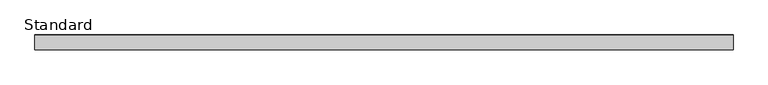
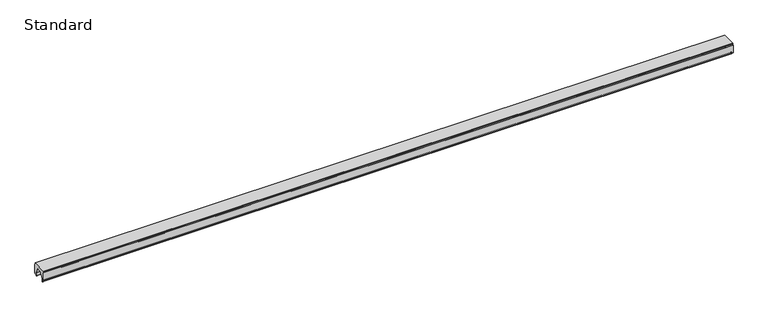
"""IFC4 building model written with IfcOpenShell, lengths in millimetres: plate geometry, Standard."""

from ifc_helpers import new_model, si_unit, point, frame, frame_2d, origin, place, context, project, spatial, polyline, circle_curve, trimmed, segment, composite_curve, outline, extrude, source, transform, mapped, element, save


def standard_7864a282(model_context):
    return source(origin(), model_context, "Body", "SweptSolid", [
        extrude(outline(composite_curve([segment(polyline([(9.3009734, 40.0704753), (-9.3009734, 40.0704753), (-21.6000018, 14.2603528), (-21.6000018, 0.575012)]), True, "CONTINUOUS"), segment(trimmed(circle_curve(frame_2d((-22.1750138, 0.575012)), 0.575012), [point((-21.6000018, 0.575012))], [point((-22.7500257, 0.575012))], False, "CARTESIAN"), True, "CONTINUOUS"), segment(polyline([(-22.7500257, 0.575012), (-22.7500257, 5.5256631)]), True, "CONTINUOUS"), segment(trimmed(circle_curve(frame_2d((-24.4906807, 5.4350083)), 1.7430141), [point((-22.7500257, 5.5256631))], [point((-24.4000259, 7.1756632))], True, "CARTESIAN"), True, "CONTINUOUS"), segment(polyline([(-24.4000259, 7.1756632), (-27.8239508, 7.3539841), (-32.0000186, 11.5300524), (-32.0000186, 46.1809022), (-30.8000259, 49.7180231), (-30.8000259, 53.85), (30.8000259, 53.85), (30.8000259, 49.7180231), (32.0000186, 46.1809022), (32.0000186, 11.5300524), (27.5902281, 7.1756632), (24.4000258, 7.1756632)]), True, "CONTINUOUS"), segment(trimmed(circle_curve(frame_2d((24.4000258, 5.5256631)), 1.6500001), [point((24.4000258, 7.1756632))], [point((22.7500257, 5.5256631))], True, "CARTESIAN"), True, "CONTINUOUS"), segment(polyline([(22.7500257, 5.5256631), (22.7500257, 0.575012)]), True, "CONTINUOUS"), segment(trimmed(circle_curve(frame_2d((22.1750138, 0.575012)), 0.575012), [point((22.7500257, 0.575012))], [point((21.6000018, 0.575012))], False, "CARTESIAN"), True, "CONTINUOUS"), segment(polyline([(21.6000018, 0.575012), (21.6000018, 14.2603528), (9.3009734, 40.0704753)]), True, "CONTINUOUS")], self_intersect=False)), frame((-1498.85, 0.0, 0.0), z_axis=(1.0, 0.0, 0.0), x_axis=(0.0, 1.0, 0.0)), (0.0, 0.0, 1.0), 2997.7),
    ])


if __name__ == "__main__":
    model = new_model("IFC4")
    model_context = context("Model", 3, world=origin())
    ifc_project = project(units=[si_unit("LENGTHUNIT", "METRE", prefix="MILLI")], contexts=[model_context])
    site = spatial("IfcSite", under=ifc_project)
    building = spatial("IfcBuilding", under=site)
    placement = place(None, origin())
    standard_shape = standard_7864a282(model_context)
    element("IfcPlate", 1, ObjectType="Standard", at=placement, inside=building, context=model_context, shape_type="MappedRepresentation", body=[
        mapped(standard_shape, transform((0.0, 0.0, 0.0), x_axis=(1.0, 0.0, 0.0), y_axis=(0.0, 1.0, 0.0), z_axis=(0.0, 0.0, 1.0))),
    ])
    save(model, "model.ifc")
